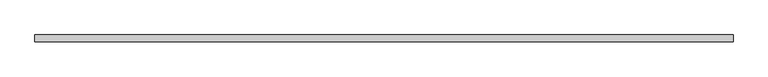
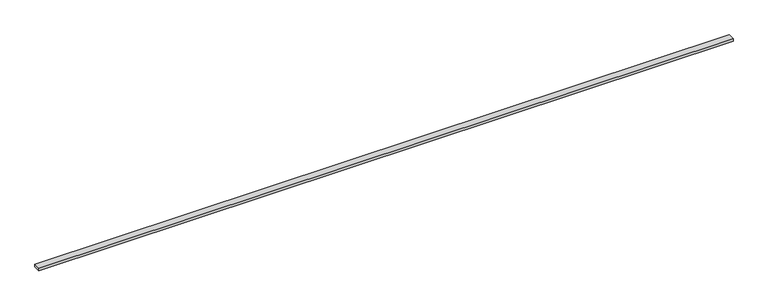
"""IFC4 building model written with IfcOpenShell, lengths in millimetres: beam geometry."""

from ifc_helpers import new_model, si_unit, frame, origin, place, context, project, spatial, polyline, outline, extrude, source, transform, mapped, element, save


def beam_98bbec3a(model_context):
    return source(origin(), model_context, "Body", "SweptSolid", [
        extrude(outline(polyline([(2259.2, -22.5), (-2259.2, -22.5), (-2259.2, 22.5), (2259.2, 22.5), (2259.2, -22.5)])), frame((0.0, 0.0, -9.0), z_axis=(0.0, 0.0, 1.0), x_axis=(1.0, 0.0, 0.0)), (0.0, 0.0, 1.0), 18.0),
    ])


if __name__ == "__main__":
    model = new_model("IFC4")
    model_context = context("Model", 3, world=origin())
    ifc_project = project(units=[si_unit("LENGTHUNIT", "METRE", prefix="MILLI")], contexts=[model_context])
    site = spatial("IfcSite", under=ifc_project)
    building = spatial("IfcBuilding", under=site)
    placement = place(None, origin())
    beam_shape = beam_98bbec3a(model_context)
    element("IfcBeam", 1, at=placement, inside=building, context=model_context, shape_type="MappedRepresentation", body=[
        mapped(beam_shape, transform((0.0, 0.0, 0.0), x_axis=(1.0, 0.0, 0.0), y_axis=(0.0, 1.0, 0.0), z_axis=(0.0, 0.0, 1.0))),
    ])
    save(model, "model.ifc")
